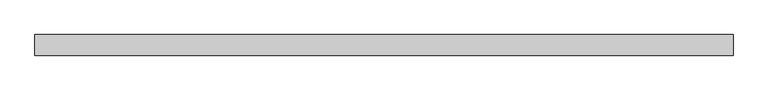
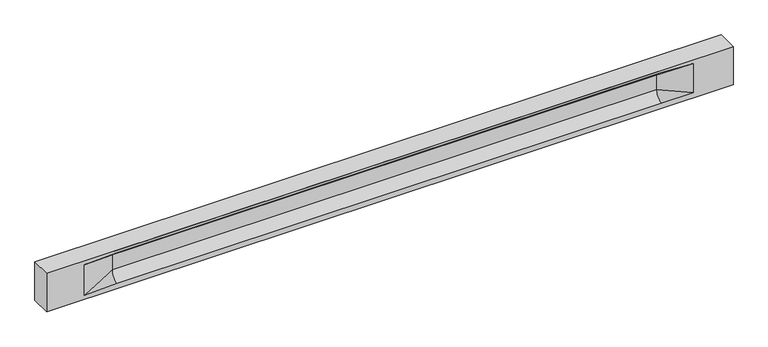
"""IFC4 building model written with IfcOpenShell, lengths in millimetres: beam geometry."""

from ifc_helpers import new_model, si_unit, frame, origin, place, context, project, spatial, polyline, circle_curve, source, transform, mapped, element, save
from ifc_brep_helpers import plane_surface, revolved_surface, spline_surface, advanced_brep


def beam_f400d880(model_context):
    return source(origin(), model_context, "Body", "AdvancedBrep", [
        advanced_brep(
        [(8452.5, -250.0, 500.0), (8452.5, -250.0, -500.0), (8452.5, 250.0, -500.0), (8452.5, 250.0, 500.0), (-8452.5, -250.0, 500.0), (-8452.5, -250.0, -500.0), (7477.5, -250.0, -362.0), (6677.5, -250.0, -360.0), (-6722.5, -250.0, -360.0), (-7522.5, -250.0, -400.0), (-7522.5, -250.0, 400.0), (-6722.5, -250.0, 435.0), (6677.5, -250.0, 435.0), (7477.5, -250.0, 400.0), (-8452.5, 250.0, -500.0), (-8452.5, 250.0, 500.0), (7477.5, 250.0, 400.0), (6677.5, 250.0, 435.0), (-6722.5, 250.0, 435.0), (-7522.5, 250.0, 400.0), (-7522.5, 250.0, -400.0), (-6722.5, 250.0, -360.0), (6677.5, 250.0, -360.0), (7477.5, 250.0, -362.0), (6677.5, 155.0, 405.0), (-6722.5, 155.0, 405.0), (6677.5, 60.0, 262.777021), (-6722.5, 60.0, 262.777021), (6677.5, 60.0, -120.0), (-6722.5, 60.0, -120.0), (6677.5, -60.0, -120.0), (-6722.5, -60.0, -120.0), (6677.5, -60.0, 262.777021), (-6722.5, -60.0, 262.777021), (6677.5, -155.0, 405.0), (-6722.5, -155.0, 405.0)],
        [
            (0, 1),
            (1, 2),
            (2, 3),
            (3, 0),
            (0, 4),
            (4, 5),
            (5, 1),
            (6, 7),
            (7, 8),
            (8, 9),
            (9, 10),
            (10, 11),
            (11, 12),
            (12, 13),
            (13, 6),
            (5, 14),
            (14, 2),
            (14, 15),
            (15, 3),
            (16, 17),
            (17, 18),
            (18, 19),
            (19, 20),
            (20, 21),
            (21, 22),
            (22, 23),
            (23, 16),
            (15, 4),
            (17, 24),
            (24, 25),
            (25, 18),
            (24, 26, circle_curve(frame((6677.5, 213.9598725, 262.777021), z_axis=(1.0, 0.0, 0.0), x_axis=(0.0, 1.0, 0.0)), 153.9598725)),
            (26, 27),
            (27, 25, circle_curve(frame((-6722.5, 213.9598725, 262.777021), z_axis=(-1.0, 0.0, 0.0), x_axis=(0.0, 1.0, 0.0)), 153.9598725)),
            (26, 28),
            (28, 29),
            (29, 27),
            (28, 22, circle_curve(frame((6677.5, 306.5789474, -120.0), z_axis=(1.0, 0.0, 0.0), x_axis=(0.0, 1.0, 0.0)), 246.5789474)),
            (21, 29, circle_curve(frame((-6722.5, 306.5789474, -120.0), z_axis=(-1.0, 0.0, 0.0), x_axis=(0.0, 1.0, 0.0)), 246.5789474)),
            (7, 30, circle_curve(frame((6677.5, -306.5789474, -120.0), z_axis=(1.0, 0.0, 0.0), x_axis=(0.0, 1.0, 0.0)), 246.5789474)),
            (30, 31),
            (31, 8, circle_curve(frame((-6722.5, -306.5789474, -120.0), z_axis=(-1.0, 0.0, 0.0), x_axis=(0.0, 1.0, 0.0)), 246.5789474)),
            (30, 32),
            (32, 33),
            (33, 31),
            (32, 34, circle_curve(frame((6677.5, -213.9598725, 262.777021), z_axis=(1.0, 0.0, 0.0), x_axis=(0.0, 1.0, 0.0)), 153.9598725)),
            (34, 35),
            (35, 33, circle_curve(frame((-6722.5, -213.9598725, 262.777021), z_axis=(-1.0, 0.0, 0.0), x_axis=(0.0, 1.0, 0.0)), 153.9598725)),
            (34, 12),
            (11, 35),
            (27, 19),
            (19, 25),
            (10, 35),
            (10, 33),
            (9, 31),
            (20, 29),
            (34, 13),
            (32, 13),
            (30, 6),
            (28, 23),
            (26, 16),
            (24, 16),
        ],
        [
            plane_surface(frame((8452.5, 0.0, 0.0), z_axis=(1.0, 0.0, 0.0), x_axis=(0.0, 0.0, 1.0))),
            plane_surface(frame((8452.5, -250.0, 500.0), z_axis=(0.0, -1.0, 0.0), x_axis=(-1.0, 0.0, 0.0))),
            plane_surface(frame((8452.5, -250.0, -500.0), z_axis=(0.0, 0.0, -1.0), x_axis=(-1.0, 0.0, 0.0))),
            plane_surface(frame((8452.5, 250.0, -500.0), z_axis=(0.0, 1.0, 0.0), x_axis=(-1.0, 0.0, 0.0))),
            plane_surface(frame((8452.5, 250.0, 500.0), z_axis=(0.0, 0.0, 1.0), x_axis=(-1.0, 0.0, 0.0))),
            plane_surface(frame((-6722.5, 250.0, 435.0), z_axis=(0.0, 0.30113136793710954, -0.9535826651341378), x_axis=(1.0, 0.0, 0.0))),
            revolved_surface(polyline([(6677.5, 367.919745, 262.777021), (-6722.5, 367.919745, 262.777021)]), (-6722.5, 213.9598725, 262.777021), (1.0, 0.0, 0.0)),
            plane_surface(frame((-6722.5, 60.0, 262.777021), z_axis=(0.0, 1.0, 0.0), x_axis=(1.0, 0.0, 0.0))),
            revolved_surface(polyline([(6677.5, 553.1578948, -120.0), (-6722.5, 553.1578948, -120.0)]), (-6722.5, 306.5789474, -120.0), (1.0, 0.0, 0.0)),
            revolved_surface(polyline([(6677.5, -60.0, -120.0), (-6722.5, -60.0, -120.0)]), (-6722.5, -306.5789474, -120.0), (1.0, 0.0, 0.0)),
            plane_surface(frame((-6722.5, -60.0, -120.0), z_axis=(0.0, -1.0, 0.0), x_axis=(1.0, 0.0, 0.0))),
            revolved_surface(polyline([(6677.5, -60.0, 262.777021), (-6722.5, -60.0, 262.777021)]), (-6722.5, -213.9598725, 262.777021), (1.0, 0.0, 0.0)),
            plane_surface(frame((-6722.5, -155.0, 405.0), z_axis=(0.0, -0.30113136793710693, -0.9535826651341387), x_axis=(1.0, 0.0, 0.0))),
            spline_surface(2, 1, [[(-7522.5, 250.0, 400.0), (-6722.5, 60.0, 262.777021)], [(-7522.5, 250.0, 400.0), (-6722.5, 59.99999995452379, 365.6168572954922)], [(-7522.5, 250.0, 400.0), (-6722.5, 155.0, 405.0)]], [3, 3], [2, 2], [0.0, 1.0], [0.0, 1.0], weights=[[1.0, 1.0], [0.8315515921160737, 0.8315515921160737], [1.0, 1.0]]),
            plane_surface(frame((-7522.5, 250.0, 400.0), z_axis=(0.04168298285568782, 0.30086965068766386, -0.9527538938442265), x_axis=(0.0, 0.9535826651341378, 0.30113136793710954))),
            plane_surface(frame((-7522.5, -250.0, 400.0), z_axis=(0.04168298285568785, -0.30086965068766125, -0.9527538938442274), x_axis=(0.0, 0.9535826651341387, -0.30113136793710693))),
            spline_surface(2, 1, [[(-7522.5, -250.0, 400.0), (-6722.5, -155.0, 405.0)], [(-7522.5, -250.0, 400.0), (-6722.5, -60.00000008030692, 365.6168572114734)], [(-7522.5, -250.0, 400.0), (-6722.5, -60.0, 262.777021)]], [3, 3], [2, 2], [0.0, 1.0], [0.0, 1.0], weights=[[1.0, 1.0], [0.8315515924557569, 0.8315515924557569], [1.0, 1.0]]),
            plane_surface(frame((-7522.5, -250.0, 0.0), z_axis=(0.23107243079589995, -0.9729365507195595, 0.0), x_axis=(0.0, 0.0, -1.0))),
            spline_surface(2, 1, [[(-7522.5, -250.0, -400.0), (-6722.5, -60.0, -120.0)], [(-7522.5, -250.0, -400.0), (-6722.5, -59.99999998020837, -315.20833333333337)], [(-7522.5, -250.0, -400.0), (-6722.5, -250.0, -360.0)]], [3, 3], [2, 2], [0.0, 1.0], [0.0, 1.0], weights=[[1.0, 1.0], [0.7840458244617614, 0.7840458244617614], [1.0, 1.0]]),
            spline_surface(2, 1, [[(-7522.5, 250.0, -400.0), (-6722.5, 250.0, -360.0)], [(-7522.5, 250.0, -400.0), (-6722.5, 60.00000002887427, -315.20833329480604)], [(-7522.5, 250.0, -400.0), (-6722.5, 60.0, -120.0)]], [3, 3], [2, 2], [0.0, 1.0], [0.0, 1.0], weights=[[1.0, 1.0], [0.7840458245391329, 0.7840458245391329], [1.0, 1.0]]),
            plane_surface(frame((-7522.5, 250.0, 0.0), z_axis=(0.23107243079589565, 0.9729365507195605, 0.0), x_axis=(0.0, 0.0, 1.0))),
            plane_surface(frame((-8452.5, 0.0, 0.0), z_axis=(-1.0, 0.0, 0.0), x_axis=(0.0, 0.0, 1.0))),
            plane_surface(frame((6677.5, -202.5, 420.0), z_axis=(-0.04168298285568735, -0.30086965068766125, -0.9527538938442274), x_axis=(0.0, 0.9535826651341387, -0.30113136793710693))),
            spline_surface(2, 1, [[(6677.5, -155.0, 405.0), (7477.5, -250.0, 400.0)], [(6677.5, -60.00000008030692, 365.6168572114734), (7477.5, -250.0, 400.0)], [(6677.5, -60.0, 262.777021), (7477.5, -250.0, 400.0)]], [3, 3], [2, 2], [0.0, 1.0], [0.0, 1.0], weights=[[1.0, 1.0], [0.8315515924557569, 0.8315515924557569], [1.0, 1.0]]),
            plane_surface(frame((6677.5, -60.0, 71.3885105), z_axis=(-0.23107243079589673, -0.9729365507195603, 0.0), x_axis=(0.0, 0.0, -1.0))),
            spline_surface(2, 1, [[(6677.5, -60.0, -120.0), (7477.5, -250.0, -362.0)], [(6677.5, -59.99999998020837, -315.20833333333337), (7477.5, -250.0, -362.0)], [(6677.5, -250.0, -360.0), (7477.5, -250.0, -362.0)]], [3, 3], [2, 2], [0.0, 1.0], [0.0, 1.0], weights=[[1.0, 1.0], [0.7840458244617614, 0.7840458244617614], [1.0, 1.0]]),
            spline_surface(2, 1, [[(6677.5, 250.0, -360.0), (7477.5, 250.0, -362.0)], [(6677.5, 60.00000002887427, -315.20833329480604), (7477.5, 250.0, -362.0)], [(6677.5, 60.0, -120.0), (7477.5, 250.0, -362.0)]], [3, 3], [2, 2], [0.0, 1.0], [0.0, 1.0], weights=[[1.0, 1.0], [0.7840458245391329, 0.7840458245391329], [1.0, 1.0]]),
            plane_surface(frame((6677.5, 60.0, 71.3885105), z_axis=(-0.23107243079589032, 0.9729365507195619, 0.0), x_axis=(0.0, 0.0, 1.0))),
            spline_surface(2, 1, [[(6677.5, 60.0, 262.777021), (7477.5, 250.0, 400.0)], [(6677.5, 59.99999995452379, 365.6168572954922), (7477.5, 250.0, 400.0)], [(6677.5, 155.0, 405.0), (7477.5, 250.0, 400.0)]], [3, 3], [2, 2], [0.0, 1.0], [0.0, 1.0], weights=[[1.0, 1.0], [0.8315515921160737, 0.8315515921160737], [1.0, 1.0]]),
            plane_surface(frame((6677.5, 202.5, 420.0), z_axis=(-0.041682982855686605, 0.30086965068766386, -0.9527538938442265), x_axis=(0.0, 0.9535826651341378, 0.30113136793710954))),
        ],
        [
            (0, [[1, 2, 3, 4]]),
            (1, [[-1, 5, 6, 7], [8, 9, 10, 11, 12, 13, 14, 15]]),
            (2, [[-2, -7, 16, 17]]),
            (3, [[-3, -17, 18, 19], [20, 21, 22, 23, 24, 25, 26, 27]]),
            (4, [[-5, -4, -19, 28]]),
            (5, [[-21, 29, 30, 31]]),
            (6, [[-30, 32, 33, 34]]),
            (7, [[-33, 35, 36, 37]]),
            (8, [[-36, 38, -25, 39]]),
            (9, [[-9, 40, 41, 42]]),
            (10, [[-41, 43, 44, 45]]),
            (11, [[-44, 46, 47, 48]]),
            (12, [[-47, 49, -13, 50]]),
            (13, [[51, 52, -34]]),
            (14, [[-52, -22, -31]]),
            (15, [[-12, 53, -50]]),
            (16, [[-53, 54, -48]]),
            (17, [[-54, -11, 55, -45]]),
            (18, [[-55, -10, -42]]),
            (19, [[-24, 56, -39]]),
            (20, [[-51, -37, -56, -23]]),
            (21, [[-28, -18, -16, -6]]),
            (22, [[-14, -49, 57]]),
            (23, [[-57, -46, 58]]),
            (24, [[-58, -43, 59, -15]]),
            (25, [[-59, -40, -8]]),
            (26, [[-26, -38, 60]]),
            (27, [[-60, -35, 61, -27]]),
            (28, [[-61, -32, 62]]),
            (29, [[-62, -29, -20]]),
        ],
    ),
    ])


if __name__ == "__main__":
    model = new_model("IFC4")
    model_context = context("Model", 3, world=origin())
    ifc_project = project(units=[si_unit("LENGTHUNIT", "METRE", prefix="MILLI")], contexts=[model_context])
    site = spatial("IfcSite", under=ifc_project)
    building = spatial("IfcBuilding", under=site)
    placement = place(None, origin())
    beam_shape = beam_f400d880(model_context)
    element("IfcBeam", 1, at=placement, inside=building, context=model_context, shape_type="MappedRepresentation", body=[
        mapped(beam_shape, transform((0.0, 0.0, 0.0), x_axis=(1.0, 0.0, 0.0), y_axis=(0.0, 1.0, 0.0), z_axis=(0.0, 0.0, 1.0))),
    ])
    save(model, "model.ifc")
